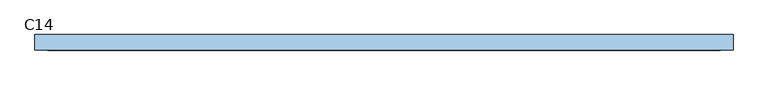
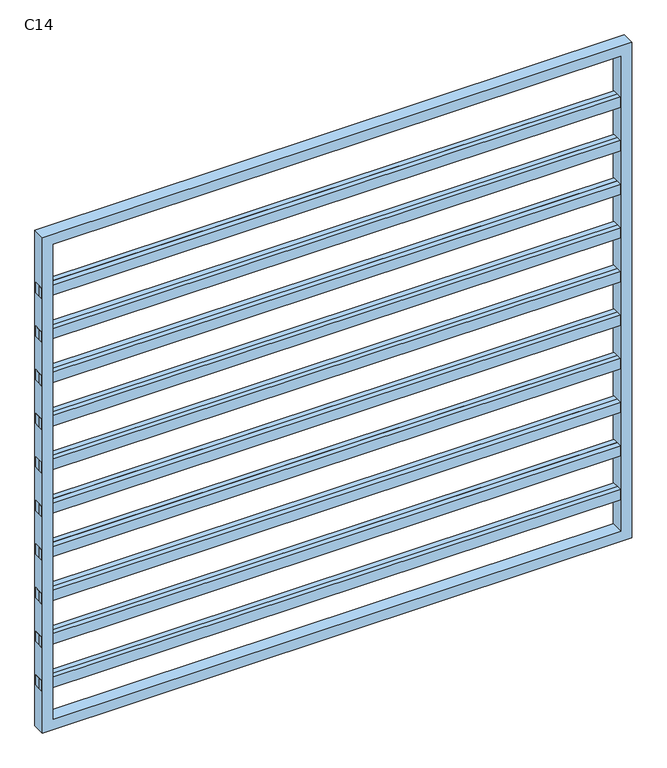
"""IFC4 building model written with IfcOpenShell, lengths in millimetres: window geometry, C14."""

from ifc_helpers import new_model, si_unit, frame, origin, place, context, project, spatial, polyline, outline, extrude, source, transform, mapped, element, save


def c14_b5801c81(model_context):
    return source(origin(), model_context, "Body", "SweptSolid", [
        extrude(outline(polyline([(-1350.0, 0.0), (-1350.0, 25.0), (1350.0, 25.0), (1350.0, 0.0), (-1350.0, 0.0)])), frame((0.0, 0.0, 2088.8888889), z_axis=(0.0, 0.0, 1.0), x_axis=(1.0, 0.0, 0.0)), (0.0, 0.0, 1.0), 50.0),
        extrude(outline(polyline([(1350.0, 0.0), (1350.0, -25.0), (-1350.0, -25.0), (-1350.0, 0.0), (1350.0, 0.0)])), frame((0.0, 0.0, 2088.8888889), z_axis=(0.0, 0.0, 1.0), x_axis=(1.0, 0.0, 0.0)), (0.0, 0.0, 1.0), 50.0),
        extrude(outline(polyline([(-1350.0, 0.0), (-1350.0, 25.0), (1350.0, 25.0), (1350.0, 0.0), (-1350.0, 0.0)])), frame((0.0, 0.0, 1877.7777778), z_axis=(0.0, 0.0, 1.0), x_axis=(1.0, 0.0, 0.0)), (0.0, 0.0, 1.0), 50.0),
        extrude(outline(polyline([(1350.0, 0.0), (1350.0, -25.0), (-1350.0, -25.0), (-1350.0, 0.0), (1350.0, 0.0)])), frame((0.0, 0.0, 1877.7777778), z_axis=(0.0, 0.0, 1.0), x_axis=(1.0, 0.0, 0.0)), (0.0, 0.0, 1.0), 50.0),
        extrude(outline(polyline([(-1350.0, 0.0), (-1350.0, 25.0), (1350.0, 25.0), (1350.0, 0.0), (-1350.0, 0.0)])), frame((0.0, 0.0, 1666.6666667), z_axis=(0.0, 0.0, 1.0), x_axis=(1.0, 0.0, 0.0)), (0.0, 0.0, 1.0), 50.0),
        extrude(outline(polyline([(1350.0, 0.0), (1350.0, -25.0), (-1350.0, -25.0), (-1350.0, 0.0), (1350.0, 0.0)])), frame((0.0, 0.0, 1666.6666667), z_axis=(0.0, 0.0, 1.0), x_axis=(1.0, 0.0, 0.0)), (0.0, 0.0, 1.0), 50.0),
        extrude(outline(polyline([(-1350.0, 0.0), (-1350.0, 25.0), (1350.0, 25.0), (1350.0, 0.0), (-1350.0, 0.0)])), frame((0.0, 0.0, 1455.5555556), z_axis=(0.0, 0.0, 1.0), x_axis=(1.0, 0.0, 0.0)), (0.0, 0.0, 1.0), 50.0),
        extrude(outline(polyline([(1350.0, 0.0), (1350.0, -25.0), (-1350.0, -25.0), (-1350.0, 0.0), (1350.0, 0.0)])), frame((0.0, 0.0, 1455.5555556), z_axis=(0.0, 0.0, 1.0), x_axis=(1.0, 0.0, 0.0)), (0.0, 0.0, 1.0), 50.0),
        extrude(outline(polyline([(-1350.0, 0.0), (-1350.0, 25.0), (1350.0, 25.0), (1350.0, 0.0), (-1350.0, 0.0)])), frame((0.0, 0.0, 1244.4444444), z_axis=(0.0, 0.0, 1.0), x_axis=(1.0, 0.0, 0.0)), (0.0, 0.0, 1.0), 50.0),
        extrude(outline(polyline([(1350.0, 0.0), (1350.0, -25.0), (-1350.0, -25.0), (-1350.0, 0.0), (1350.0, 0.0)])), frame((0.0, 0.0, 1244.4444444), z_axis=(0.0, 0.0, 1.0), x_axis=(1.0, 0.0, 0.0)), (0.0, 0.0, 1.0), 50.0),
        extrude(outline(polyline([(-1350.0, 0.0), (-1350.0, 25.0), (1350.0, 25.0), (1350.0, 0.0), (-1350.0, 0.0)])), frame((0.0, 0.0, 1033.3333333), z_axis=(0.0, 0.0, 1.0), x_axis=(1.0, 0.0, 0.0)), (0.0, 0.0, 1.0), 50.0),
        extrude(outline(polyline([(1350.0, 0.0), (1350.0, -25.0), (-1350.0, -25.0), (-1350.0, 0.0), (1350.0, 0.0)])), frame((0.0, 0.0, 1033.3333333), z_axis=(0.0, 0.0, 1.0), x_axis=(1.0, 0.0, 0.0)), (0.0, 0.0, 1.0), 50.0),
        extrude(outline(polyline([(-1350.0, 0.0), (-1350.0, 25.0), (1350.0, 25.0), (1350.0, 0.0), (-1350.0, 0.0)])), frame((0.0, 0.0, 822.2222222), z_axis=(0.0, 0.0, 1.0), x_axis=(1.0, 0.0, 0.0)), (0.0, 0.0, 1.0), 50.0),
        extrude(outline(polyline([(1350.0, 0.0), (1350.0, -25.0), (-1350.0, -25.0), (-1350.0, 0.0), (1350.0, 0.0)])), frame((0.0, 0.0, 822.2222222), z_axis=(0.0, 0.0, 1.0), x_axis=(1.0, 0.0, 0.0)), (0.0, 0.0, 1.0), 50.0),
        extrude(outline(polyline([(-1350.0, 0.0), (-1350.0, 25.0), (1350.0, 25.0), (1350.0, 0.0), (-1350.0, 0.0)])), frame((0.0, 0.0, 611.1111111), z_axis=(0.0, 0.0, 1.0), x_axis=(1.0, 0.0, 0.0)), (0.0, 0.0, 1.0), 50.0),
        extrude(outline(polyline([(1350.0, 0.0), (1350.0, -25.0), (-1350.0, -25.0), (-1350.0, 0.0), (1350.0, 0.0)])), frame((0.0, 0.0, 611.1111111), z_axis=(0.0, 0.0, 1.0), x_axis=(1.0, 0.0, 0.0)), (0.0, 0.0, 1.0), 50.0),
        extrude(outline(polyline([(-1350.0, 0.0), (-1350.0, 25.0), (1350.0, 25.0), (1350.0, 0.0), (-1350.0, 0.0)])), frame((0.0, 0.0, 2300.0), z_axis=(0.0, 0.0, 1.0), x_axis=(1.0, 0.0, 0.0)), (0.0, 0.0, 1.0), 50.0),
        extrude(outline(polyline([(1350.0, 0.0), (1350.0, -25.0), (-1350.0, -25.0), (-1350.0, 0.0), (1350.0, 0.0)])), frame((0.0, 0.0, 2300.0), z_axis=(0.0, 0.0, 1.0), x_axis=(1.0, 0.0, 0.0)), (0.0, 0.0, 1.0), 50.0),
        extrude(outline(polyline([(-1350.0, 0.0), (-1350.0, 25.0), (1350.0, 25.0), (1350.0, 0.0), (-1350.0, 0.0)])), frame((0.0, 0.0, 400.0), z_axis=(0.0, 0.0, 1.0), x_axis=(1.0, 0.0, 0.0)), (0.0, 0.0, 1.0), 50.0),
        extrude(outline(polyline([(1350.0, 0.0), (1350.0, -25.0), (-1350.0, -25.0), (-1350.0, 0.0), (1350.0, 0.0)])), frame((0.0, 0.0, 400.0), z_axis=(0.0, 0.0, 1.0), x_axis=(1.0, 0.0, 0.0)), (0.0, 0.0, 1.0), 50.0),
        extrude(outline(polyline([(2600.0, -1350.0), (200.0, -1350.0), (200.0, 1350.0), (2600.0, 1350.0), (2600.0, -1350.0)]), holes=[polyline([(2550.0, 1300.0), (250.0, 1300.0), (250.0, -1300.0), (2550.0, -1300.0), (2550.0, 1300.0)])]), frame((0.0, -30.0, 0.0), z_axis=(0.0, 1.0, 0.0), x_axis=(0.0, 0.0, 1.0)), (0.0, 0.0, 1.0), 60.0),
    ])


if __name__ == "__main__":
    model = new_model("IFC4")
    model_context = context("Model", 3, world=origin())
    ifc_project = project(units=[si_unit("LENGTHUNIT", "METRE", prefix="MILLI")], contexts=[model_context])
    site = spatial("IfcSite", under=ifc_project)
    building = spatial("IfcBuilding", under=site)
    placement = place(None, origin())
    c14_shape = c14_b5801c81(model_context)
    element("IfcWindow", 1, ObjectType="C14", at=placement, inside=building, context=model_context, shape_type="MappedRepresentation", body=[
        mapped(c14_shape, transform((0.0, 0.0, 0.0), x_axis=(1.0, 0.0, 0.0), y_axis=(0.0, 1.0, 0.0), z_axis=(0.0, 0.0, 1.0))),
    ])
    save(model, "model.ifc")
